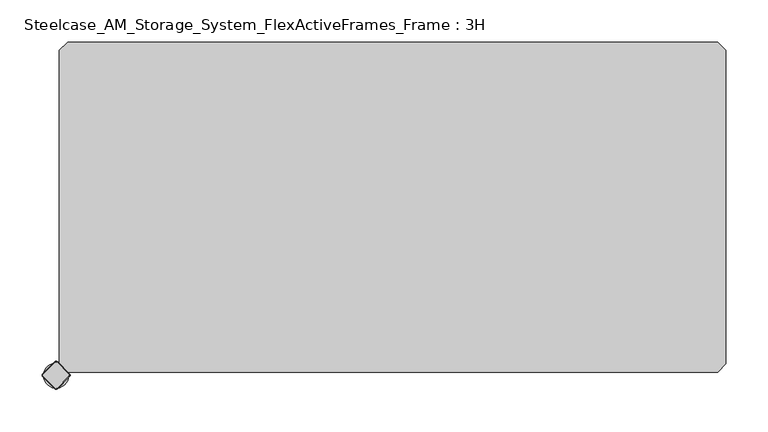
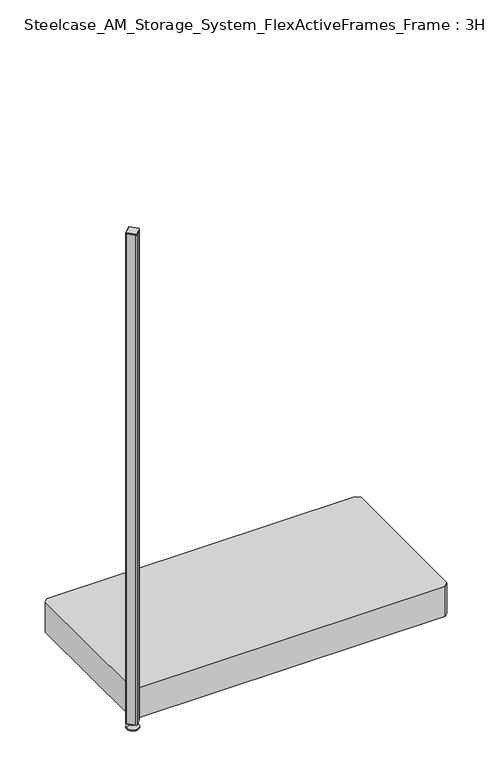
"""IFC4 building model written with IfcOpenShell, lengths in millimetres: furniture geometry, Steelcase_AM_Storage_System_FlexActiveFrames_Frame : 3H."""

from ifc_helpers import new_model, si_unit, point, frame, frame_2d, origin, place, context, project, spatial, polyline, circle_curve, trimmed, segment, composite_curve, outline, extrude, source, transform, mapped, element, save
from ifc_brep_helpers import plane_surface, cylinder_surface, revolved_surface, advanced_brep


def steelcase_am_storage_system_flexactiveframes_frame_3h_c02fc460(model_context):
    return source(origin(), model_context, "Body", "SolidModel", [
        advanced_brep(
        [(-15.0, 0.0, 0.0), (0.0, 0.0, 0.0), (15.0, 0.0, 0.0), (-15.0, 0.0, 2.0), (15.0, 0.0, 2.0), (-8.0, 0.0, 9.0), (8.0, 0.0, 9.0), (-4.0, 0.0, 9.0), (4.0, 0.0, 9.0), (-4.0, 0.0, 15.0), (4.0, 0.0, 15.0), (0.0, 0.0, 15.0)],
        [
            (0, 1),
            (1, 2),
            (2, 0, circle_curve(frame((0.0, 0.0, 0.0), z_axis=(0.0, 0.0, -1.0), x_axis=(1.0, 0.0, 0.0)), 15.0)),
            (0, 2, circle_curve(frame((0.0, 0.0, 0.0), z_axis=(0.0, 0.0, -1.0), x_axis=(1.0, 0.0, 0.0)), 15.0)),
            (3, 0),
            (2, 4),
            (4, 3, circle_curve(frame((0.0, 0.0, 2.0), z_axis=(0.0, 0.0, -1.0), x_axis=(1.0, 0.0, 0.0)), 15.0)),
            (3, 4, circle_curve(frame((0.0, 0.0, 2.0), z_axis=(0.0, 0.0, -1.0), x_axis=(1.0, 0.0, 0.0)), 15.0)),
            (5, 3),
            (4, 6),
            (6, 5, circle_curve(frame((0.0, 0.0, 9.0), z_axis=(0.0, 0.0, -1.0), x_axis=(1.0, 0.0, 0.0)), 8.0)),
            (5, 6, circle_curve(frame((0.0, 0.0, 9.0), z_axis=(0.0, 0.0, -1.0), x_axis=(1.0, 0.0, 0.0)), 8.0)),
            (7, 5),
            (6, 8),
            (8, 7, circle_curve(frame((0.0, 0.0, 9.0), z_axis=(0.0, 0.0, -1.0), x_axis=(1.0, 0.0, 0.0)), 4.0)),
            (7, 8, circle_curve(frame((0.0, 0.0, 9.0), z_axis=(0.0, 0.0, -1.0), x_axis=(1.0, 0.0, 0.0)), 4.0)),
            (9, 7),
            (8, 10),
            (10, 9, circle_curve(frame((0.0, 0.0, 15.0), z_axis=(0.0, 0.0, -1.0), x_axis=(1.0, 0.0, 0.0)), 4.0)),
            (9, 10, circle_curve(frame((0.0, 0.0, 15.0), z_axis=(0.0, 0.0, -1.0), x_axis=(1.0, 0.0, 0.0)), 4.0)),
            (11, 9),
            (10, 11),
        ],
        [
            plane_surface(frame((0.0, 0.0, 0.0), z_axis=(0.0, 0.0, -1.0), x_axis=(1.0, 0.0, 0.0))),
            cylinder_surface(frame((0.0, 0.0, 18.6083303), z_axis=(0.0, 0.0, 1.0), x_axis=(1.0, 0.0, 0.0)), 15.0),
            revolved_surface(polyline([(15.0, 0.0, 2.0), (8.0, 0.0, 9.0)]), (0.0, 0.0, 18.6083303), (0.0, 0.0, 1.0)),
            plane_surface(frame((0.0, 0.0, 9.0), z_axis=(0.0, 0.0, 1.0), x_axis=(1.0, 0.0, 0.0))),
            cylinder_surface(frame((0.0, 0.0, 18.6083303), z_axis=(0.0, 0.0, 1.0), x_axis=(1.0, 0.0, 0.0)), 4.0),
            plane_surface(frame((0.0, 0.0, 15.0), z_axis=(0.0, 0.0, 1.0), x_axis=(1.0, 0.0, 0.0))),
        ],
        [
            (0, [[1, 2, 3]]),
            (0, [[-2, -1, 4]]),
            (1, [[5, -3, 6, 7]]),
            (1, [[-6, -4, -5, 8]]),
            (2, [[9, -7, 10, 11]]),
            (2, [[-10, -8, -9, 12]]),
            (3, [[13, -11, 14, 15]]),
            (3, [[-14, -12, -13, 16]]),
            (4, [[17, -15, 18, 19]]),
            (4, [[-18, -16, -17, 20]]),
            (5, [[21, -19, 22]]),
            (5, [[-22, -20, -21]]),
        ],
    ),
        advanced_brep(
        [(-1.2020815, -15.3442172, 1317.0), (1.2020815, -15.3442172, 1317.0), (15.3442172, -1.2020815, 1317.0), (15.3442172, 1.2020815, 1317.0), (1.2020815, 15.3442172, 1317.0), (-1.2020815, 15.3442172, 1317.0), (-15.3442172, 1.2020815, 1317.0), (-15.3442172, -1.2020815, 1317.0), (-1.767767, -15.9099026, 1315.0), (-15.9099026, -1.767767, 1315.0), (-15.9099026, 1.767767, 1315.0), (-1.767767, 15.9099026, 1315.0), (1.767767, 15.9099026, 1315.0), (15.9099026, 1.767767, 1315.0), (15.9099026, -1.767767, 1315.0), (1.767767, -15.9099026, 1315.0)],
        [
            (0, 1, circle_curve(frame((0.0, -14.1421356, 1317.0), z_axis=(0.0, 0.0, 1.0), x_axis=(0.7071067811865458, -0.7071067811865492, 0.0)), 1.7)),
            (1, 2),
            (2, 3, circle_curve(frame((14.1421356, 0.0, 1317.0), z_axis=(0.0, 0.0, 1.0), x_axis=(0.707106781186539, 0.7071067811865559, 0.0)), 1.7)),
            (3, 4),
            (4, 5, circle_curve(frame((0.0, 14.1421356, 1317.0), z_axis=(0.0, 0.0, 1.0), x_axis=(-0.7071067811865491, 0.707106781186546, 0.0)), 1.7)),
            (5, 6),
            (6, 7, circle_curve(frame((-14.1421356, 0.0, 1317.0), z_axis=(0.0, 0.0, 1.0), x_axis=(-0.7071067811865537, -0.7071067811865414, 0.0)), 1.7)),
            (7, 0),
            (8, 9),
            (9, 10, circle_curve(frame((-14.1421356, 0.0, 1315.0), z_axis=(0.0, 0.0, -1.0), x_axis=(-0.7071067811865537, -0.7071067811865414, 0.0)), 2.5)),
            (10, 11),
            (11, 12, circle_curve(frame((0.0, 14.1421356, 1315.0), z_axis=(0.0, 0.0, -1.0), x_axis=(-0.7071067811865491, 0.707106781186546, 0.0)), 2.5)),
            (12, 13),
            (13, 14, circle_curve(frame((14.1421356, 0.0, 1315.0), z_axis=(0.0, 0.0, -1.0), x_axis=(0.707106781186539, 0.7071067811865559, 0.0)), 2.5)),
            (14, 15),
            (15, 8, circle_curve(frame((0.0, -14.1421356, 1315.0), z_axis=(0.0, 0.0, -1.0), x_axis=(0.7071067811865458, -0.7071067811865492, 0.0)), 2.5)),
            (8, 0),
            (7, 9),
            (6, 10),
            (5, 11),
            (4, 12),
            (3, 13),
            (2, 14),
            (1, 15),
        ],
        [
            plane_surface(frame((0.0, 0.0, 1317.0), z_axis=(0.0, 0.0, 1.0), x_axis=(-0.7071067811865486, -0.7071067811865466, 0.0))),
            plane_surface(frame((0.0, 0.0, 1315.0), z_axis=(0.0, 0.0, -1.0), x_axis=(-0.7071067811865486, -0.7071067811865466, 0.0))),
            plane_surface(frame((-8.8388348, -8.8388348, 1315.0), z_axis=(-0.6565321642986406, -0.656532164298628, 0.3713906763540281), x_axis=(-0.7071067811865408, 0.7071067811865543, 0.0))),
            revolved_surface(polyline([(-15.34421716, -1.20208156, 1317.0), (-15.9099026, -1.767767, 1315.0)]), (-14.1421356, 0.0, 1321.25), (0.0, 0.0, -1.0)),
            plane_surface(frame((-8.8388348, 8.8388348, 1315.0), z_axis=(-0.6565321642986325, 0.6565321642986414, 0.3713906763540188), x_axis=(0.7071067811865523, 0.7071067811865428, 0.0))),
            revolved_surface(polyline([(-1.20208156, 15.34421716, 1317.0), (-1.767767, 15.9099026, 1315.0)]), (0.0, 14.1421356, 1321.25), (0.0, 0.0, -1.0)),
            plane_surface(frame((8.8388348, 8.8388348, 1315.0), z_axis=(0.6565321642986457, 0.6565321642986508, 0.3713906763539787), x_axis=(0.7071067811865541, -0.707106781186541, 0.0))),
            revolved_surface(polyline([(15.34421716, 1.20208156, 1317.0), (15.9099026, 1.767767, 1315.0)]), (14.1421356, 0.0, 1321.25), (0.0, 0.0, -1.0)),
            plane_surface(frame((8.8388348, -8.8388348, 1315.0), z_axis=(0.656532164298657, -0.6565321642986371, 0.37139067635398293), x_axis=(-0.7071067811865407, -0.7071067811865545, 0.0))),
            revolved_surface(polyline([(1.20208156, -15.34421716, 1317.0), (1.767767, -15.9099026, 1315.0)]), (0.0, -14.1421356, 1321.25), (0.0, 0.0, -1.0)),
        ],
        [
            (0, [[1, 2, 3, 4, 5, 6, 7, 8]]),
            (1, [[9, 10, 11, 12, 13, 14, 15, 16]]),
            (2, [[17, -8, 18, -9]]),
            (3, [[-18, -7, 19, -10]]),
            (4, [[-19, -6, 20, -11]]),
            (5, [[-20, -5, 21, -12]]),
            (6, [[-21, -4, 22, -13]]),
            (7, [[-22, -3, 23, -14]]),
            (8, [[-23, -2, 24, -15]]),
            (9, [[-24, -1, -17, -16]]),
        ],
    ),
        extrude(outline(composite_curve([segment(polyline([(15.9099026, -1.767767), (1.767767, -15.9099026)]), True, "CONTINUOUS"), segment(trimmed(circle_curve(frame_2d((0.0, -14.1421356)), 2.5), [point((1.767767, -15.9099026))], [point((-1.767767, -15.9099026))], False, "CARTESIAN"), True, "CONTINUOUS"), segment(polyline([(-1.767767, -15.9099026), (-15.9099026, -1.767767)]), True, "CONTINUOUS"), segment(trimmed(circle_curve(frame_2d((-14.1421356, 0.0)), 2.5), [point((-15.9099026, -1.767767))], [point((-15.9099026, 1.767767))], False, "CARTESIAN"), True, "CONTINUOUS"), segment(polyline([(-15.9099026, 1.767767), (-1.767767, 15.9099026)]), True, "CONTINUOUS"), segment(trimmed(circle_curve(frame_2d((0.0, 14.1421356)), 2.5), [point((-1.767767, 15.9099026))], [point((1.767767, 15.9099026))], False, "CARTESIAN"), True, "CONTINUOUS"), segment(polyline([(1.767767, 15.9099026), (15.9099026, 1.767767)]), True, "CONTINUOUS"), segment(trimmed(circle_curve(frame_2d((14.1421356, 0.0)), 2.5), [point((15.9099026, 1.767767))], [point((15.9099026, -1.767767))], False, "CARTESIAN"), True, "CONTINUOUS")], self_intersect=False)), frame((0.0, 0.0, 15.0), z_axis=(0.0, 0.0, 1.0), x_axis=(1.0, 0.0, 0.0)), (0.0, 0.0, 1.0), 1300.0),
        extrude(outline(polyline([(4.0, 13.6776695), (4.0, 386.3223305), (13.6776695, 396.0), (786.3223305, 396.0), (796.0, 386.3223305), (796.0, 13.6776695), (786.3223305, 4.0), (13.6776695, 4.0), (4.0, 13.6776695)])), frame((0.0, 0.0, 16.0), z_axis=(0.0, 0.0, 1.0), x_axis=(1.0, 0.0, 0.0)), (0.0, 0.0, 1.0), 80.0),
    ])


if __name__ == "__main__":
    model = new_model("IFC4")
    model_context = context("Model", 3, world=origin())
    ifc_project = project(units=[si_unit("LENGTHUNIT", "METRE", prefix="MILLI")], contexts=[model_context])
    site = spatial("IfcSite", under=ifc_project)
    building = spatial("IfcBuilding", under=site)
    placement = place(None, origin())
    steelcase_am_storage_system_flexactiveframes_frame_3h_shape = steelcase_am_storage_system_flexactiveframes_frame_3h_c02fc460(model_context)
    element("IfcFurniture", 1, ObjectType="Steelcase_AM_Storage_System_FlexActiveFrames_Frame : 3H", at=placement, inside=building, context=model_context, shape_type="MappedRepresentation", body=[
        mapped(steelcase_am_storage_system_flexactiveframes_frame_3h_shape, transform((0.0, 0.0, 0.0), x_axis=(1.0, 0.0, 0.0), y_axis=(0.0, 1.0, 0.0), z_axis=(0.0, 0.0, 1.0))),
    ])
    save(model, "model.ifc")
